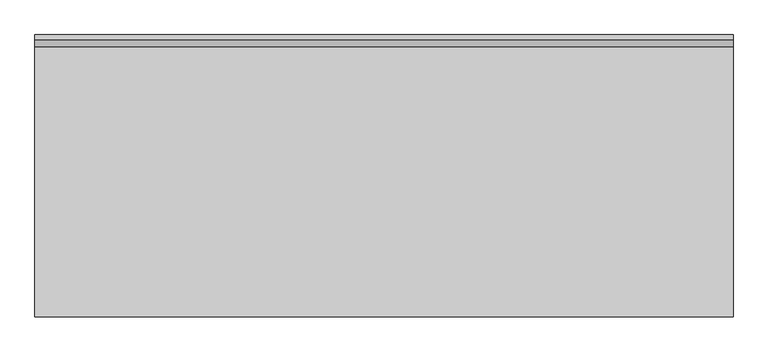
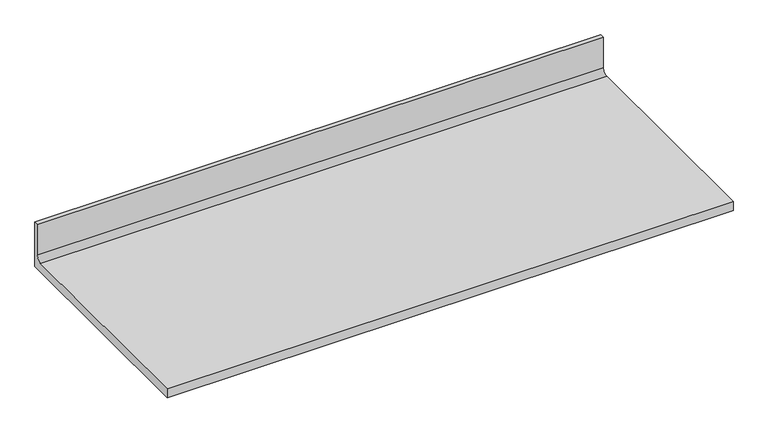
"""IFC4 building model written with IfcOpenShell, lengths in millimetres: furniture geometry."""

from ifc_helpers import new_model, si_unit, point, frame, frame_2d, origin, place, context, project, spatial, polyline, circle_curve, trimmed, segment, composite_curve, outline, extrude, source, transform, mapped, element, save


def furniture_f64016df(model_context):
    return source(origin(), model_context, "Body", "SweptSolid", [
        extrude(outline(composite_curve([segment(polyline([(0.0, 787.4), (-615.95, 787.4), (-615.95, 812.8), (-25.8191, 812.8)]), True, "CONTINUOUS"), segment(trimmed(circle_curve(frame_2d((-25.8191, 827.5066)), 14.7066), [point((-25.8191, 812.8))], [point((-11.1125, 827.5066))], True, "CARTESIAN"), True, "CONTINUOUS"), segment(polyline([(-11.1125, 827.5066), (-11.1125, 914.4), (0.0, 914.4), (0.0, 787.4)]), True, "CONTINUOUS")], self_intersect=False)), frame((0.0, 0.0, 0.0), z_axis=(1.0, 0.0, 0.0), x_axis=(0.0, 1.0, 0.0)), (0.0, 0.0, 1.0), 1524.0),
    ])


if __name__ == "__main__":
    model = new_model("IFC4")
    model_context = context("Model", 3, world=origin())
    ifc_project = project(units=[si_unit("LENGTHUNIT", "METRE", prefix="MILLI")], contexts=[model_context])
    site = spatial("IfcSite", under=ifc_project)
    building = spatial("IfcBuilding", under=site)
    placement = place(None, origin())
    furniture_shape = furniture_f64016df(model_context)
    element("IfcFurniture", 1, at=placement, inside=building, context=model_context, shape_type="MappedRepresentation", body=[
        mapped(furniture_shape, transform((0.0, 0.0, 0.0), x_axis=(1.0, 0.0, 0.0), y_axis=(0.0, 1.0, 0.0), z_axis=(0.0, 0.0, 1.0))),
    ])
    save(model, "model.ifc")
